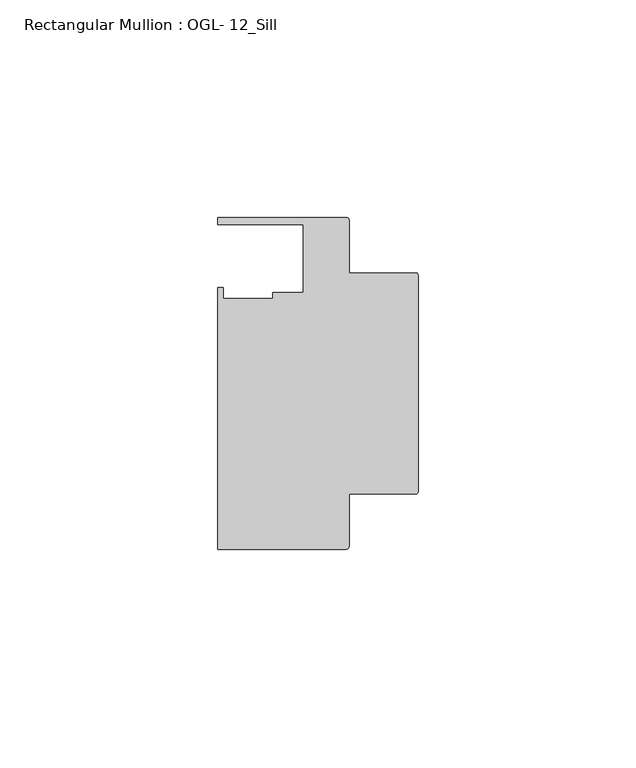
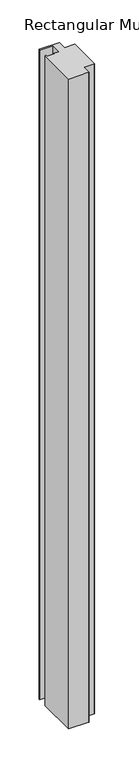
"""IFC4 building model written with IfcOpenShell, lengths in millimetres: member geometry, Rectangular Mullion : OGL- 12_Sill."""

from ifc_helpers import new_model, si_unit, point, frame, frame_2d, origin, place, context, project, spatial, polyline, circle_curve, trimmed, segment, composite_curve, outline, extrude, source, transform, mapped, element, save


def rectangular_mullion_ogl_12_sill_29fbb8ac(model_context):
    return source(origin(), model_context, "Body", "SweptSolid", [
        extrude(outline(composite_curve([segment(polyline([(-0.5953125, -25.4), (-15.8750672, -25.4), (-15.8750672, -37.5043667)]), True, "CONTINUOUS"), segment(trimmed(circle_curve(frame_2d((-16.4703797, -37.5043667)), 0.5953125), [point((-15.8750672, -37.5043667))], [point((-16.4703797, -38.0996792))], False, "CARTESIAN"), True, "CONTINUOUS"), segment(polyline([(-16.4703797, -38.0996792), (-46.0339598, -38.0996792), (-46.0339598, 21.9710976), (-44.7780305, 21.9710976), (-44.7780305, 19.4824275), (-33.3985545, 19.4824275), (-33.3985545, 20.8257348), (-26.3720794, 20.8257348), (-26.3720794, 36.512516), (-46.0248655, 36.512516), (-46.0248655, 38.100016), (-16.4703797, 38.100016)]), True, "CONTINUOUS"), segment(trimmed(circle_curve(frame_2d((-16.4703797, 37.5047035)), 0.5953125), [point((-16.4703797, 38.100016))], [point((-15.8750672, 37.5047035))], False, "CARTESIAN"), True, "CONTINUOUS"), segment(polyline([(-15.8750672, 37.5047035), (-15.8750672, 25.4), (-0.5953125, 25.4)]), True, "CONTINUOUS"), segment(trimmed(circle_curve(frame_2d((-0.5953125, 24.8046875)), 0.5953125), [point((-0.5953125, 25.4))], [point((0.0, 24.8046875))], False, "CARTESIAN"), True, "CONTINUOUS"), segment(polyline([(0.0, 24.8046875), (0.0, -24.8046875)]), True, "CONTINUOUS"), segment(trimmed(circle_curve(frame_2d((-0.5953125, -24.8046875)), 0.5953125), [point((0.0, -24.8046875))], [point((-0.5953125, -25.4))], False, "CARTESIAN"), True, "CONTINUOUS")], self_intersect=False)), frame((0.0, 0.0, -1014.2884796), z_axis=(0.0, 0.0, 1.0), x_axis=(1.0, 0.0, 0.0)), (0.0, 0.0, 1.0), 1014.2884796),
    ])


if __name__ == "__main__":
    model = new_model("IFC4")
    model_context = context("Model", 3, world=origin())
    ifc_project = project(units=[si_unit("LENGTHUNIT", "METRE", prefix="MILLI")], contexts=[model_context])
    site = spatial("IfcSite", under=ifc_project)
    building = spatial("IfcBuilding", under=site)
    placement = place(None, origin())
    rectangular_mullion_ogl_12_sill_shape = rectangular_mullion_ogl_12_sill_29fbb8ac(model_context)
    element("IfcMember", 1, ObjectType="Rectangular Mullion : OGL- 12_Sill", at=placement, inside=building, context=model_context, shape_type="MappedRepresentation", body=[
        mapped(rectangular_mullion_ogl_12_sill_shape, transform((0.0, 0.0, 0.0), x_axis=(1.0, 0.0, 0.0), y_axis=(0.0, 1.0, 0.0), z_axis=(0.0, 0.0, 1.0))),
    ])
    save(model, "model.ifc")
